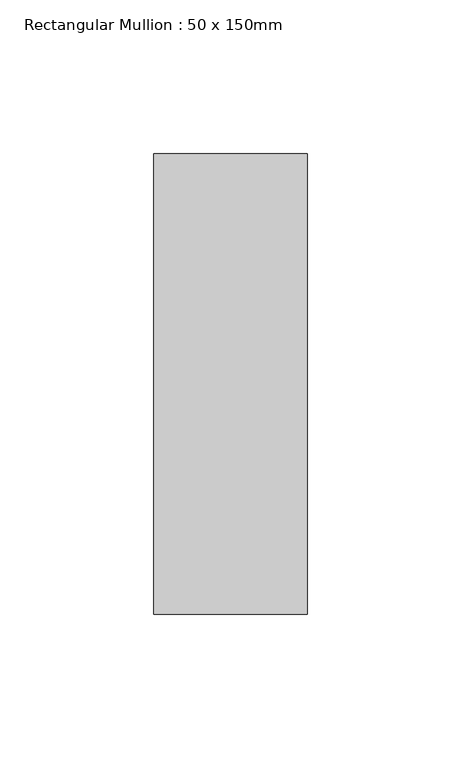
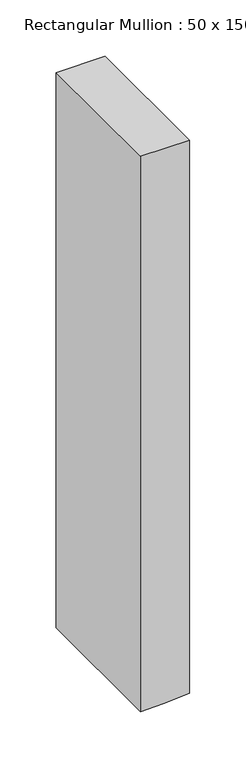
"""IFC4 building model written with IfcOpenShell, lengths in millimetres: member geometry, Rectangular Mullion : 50 x 150mm."""

from ifc_helpers import new_model, si_unit, point, frame, frame_2d, origin, place, context, project, spatial, polyline, circle_curve, trimmed, segment, composite_curve, outline, extrude, source, transform, mapped, element, save


def rectangular_mullion_50_x_150mm_f58e5935(model_context):
    return source(origin(), model_context, "Body", "SweptSolid", [
        extrude(outline(composite_curve([segment(polyline([(0.0, 25.0), (0.0, -25.0), (-601.4001654, -25.0)]), True, "CONTINUOUS"), segment(trimmed(circle_curve(frame_2d((287.1035079, -39.2264566)), 888.6175609), [point((-601.4001654, -25.0))], [point((-600.7377068, -2.0895868))], False, "CARTESIAN"), True, "CONTINUOUS"), segment(trimmed(circle_curve(frame_2d((287.1035079, -39.2264566)), 888.6175609), [point((-600.7377068, -2.0895868))], [point((-599.1899716, 25.0))], False, "CARTESIAN"), True, "CONTINUOUS"), segment(polyline([(-599.1899716, 25.0), (0.0, 25.0)]), True, "CONTINUOUS")], self_intersect=False)), frame((0.0, -75.0, 0.0), z_axis=(0.0, 1.0, 0.0), x_axis=(0.0, 0.0, 1.0)), (0.0, 0.0, 1.0), 150.0),
    ])


if __name__ == "__main__":
    model = new_model("IFC4")
    model_context = context("Model", 3, world=origin())
    ifc_project = project(units=[si_unit("LENGTHUNIT", "METRE", prefix="MILLI")], contexts=[model_context])
    site = spatial("IfcSite", under=ifc_project)
    building = spatial("IfcBuilding", under=site)
    placement = place(None, origin())
    rectangular_mullion_50_x_150mm_shape = rectangular_mullion_50_x_150mm_f58e5935(model_context)
    element("IfcMember", 1, ObjectType="Rectangular Mullion : 50 x 150mm", at=placement, inside=building, context=model_context, shape_type="MappedRepresentation", body=[
        mapped(rectangular_mullion_50_x_150mm_shape, transform((0.0, 0.0, 0.0), x_axis=(1.0, 0.0, 0.0), y_axis=(0.0, 1.0, 0.0), z_axis=(0.0, 0.0, 1.0))),
    ])
    save(model, "model.ifc")
